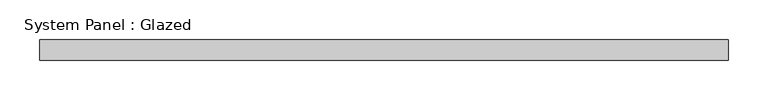
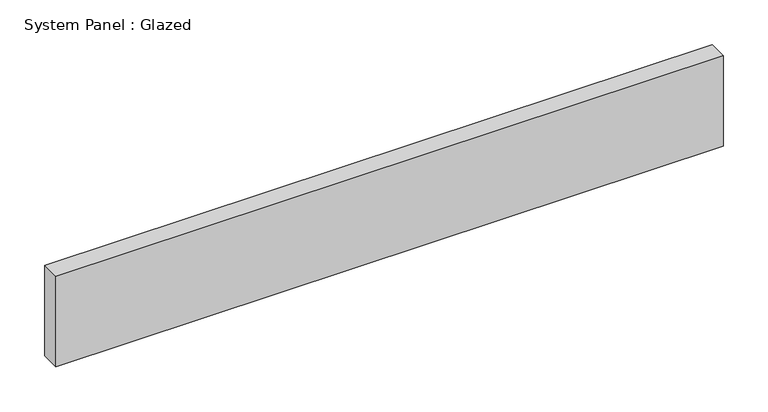
"""IFC4 building model written with IfcOpenShell, lengths in millimetres: plate geometry, System Panel : Glazed."""

from ifc_helpers import new_model, si_unit, origin, origin_with_axes, place, context, project, spatial, polyline, outline, extrude, source, transform, mapped, element, save


def system_panel_glazed_6a2d73e6(model_context):
    return source(origin(), model_context, "Body", "SweptSolid", [
        extrude(outline(polyline([(431.8, 25.4), (-431.8, 25.4), (-431.8, 50.8), (431.8, 50.8), (431.8, 25.4)])), origin_with_axes(), (0.0, 0.0, 1.0), 123.8871965),
    ])


if __name__ == "__main__":
    model = new_model("IFC4")
    model_context = context("Model", 3, world=origin())
    ifc_project = project(units=[si_unit("LENGTHUNIT", "METRE", prefix="MILLI")], contexts=[model_context])
    site = spatial("IfcSite", under=ifc_project)
    building = spatial("IfcBuilding", under=site)
    placement = place(None, origin())
    system_panel_glazed_shape = system_panel_glazed_6a2d73e6(model_context)
    element("IfcPlate", 1, ObjectType="System Panel : Glazed", at=placement, inside=building, context=model_context, shape_type="MappedRepresentation", body=[
        mapped(system_panel_glazed_shape, transform((0.0, 0.0, 0.0), x_axis=(1.0, 0.0, 0.0), y_axis=(0.0, 1.0, 0.0), z_axis=(0.0, 0.0, 1.0))),
    ])
    save(model, "model.ifc")
